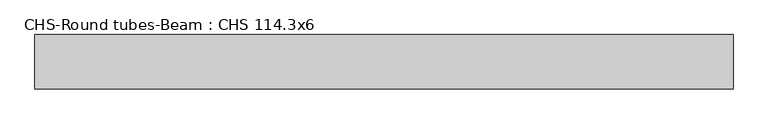
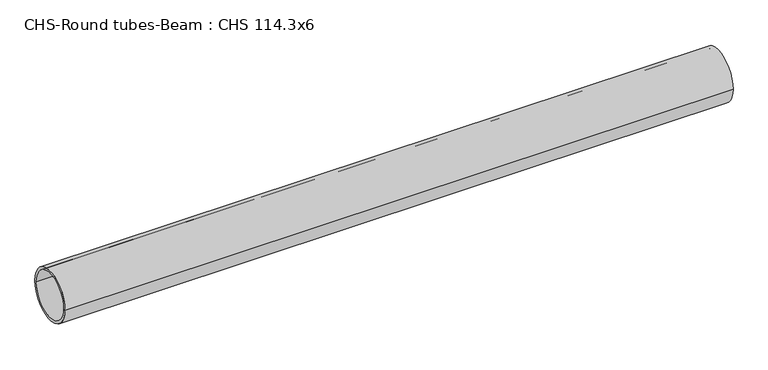
"""IFC4 building model written with IfcOpenShell, lengths in millimetres: beam geometry, CHS-Round tubes-Beam : CHS 114.3x6."""

from ifc_helpers import new_model, si_unit, point, frame, origin, origin_2d, place, context, project, spatial, circle_curve, trimmed, segment, composite_curve, outline, extrude, source, transform, mapped, element, save


def chs_round_tubes_beam_chs_114_3x6_996cd639(model_context):
    return source(origin(), model_context, "Body", "SweptSolid", [
        extrude(outline(composite_curve([segment(trimmed(circle_curve(origin_2d(), 57.15), [point((57.15, 0.0))], [point((-57.15, 0.0))], False, "CARTESIAN"), True, "CONTINUOUS"), segment(trimmed(circle_curve(origin_2d(), 57.15), [point((-57.15, 0.0))], [point((57.15, 0.0))], False, "CARTESIAN"), True, "CONTINUOUS")], self_intersect=False), holes=[composite_curve([segment(trimmed(circle_curve(origin_2d(), 51.15), [point((51.15, 0.0))], [point((-51.15, 0.0))], True, "CARTESIAN"), True, "CONTINUOUS"), segment(trimmed(circle_curve(origin_2d(), 51.15), [point((-51.15, 0.0))], [point((51.15, 0.0))], True, "CARTESIAN"), True, "CONTINUOUS")], self_intersect=False)]), frame((-758.2864138, 0.0, 0.0), z_axis=(1.0, 0.0, 0.0), x_axis=(0.0, 1.0, 0.0)), (0.0, 0.0, 1.0), 1470.1015907),
    ])


if __name__ == "__main__":
    model = new_model("IFC4")
    model_context = context("Model", 3, world=origin())
    ifc_project = project(units=[si_unit("LENGTHUNIT", "METRE", prefix="MILLI")], contexts=[model_context])
    site = spatial("IfcSite", under=ifc_project)
    building = spatial("IfcBuilding", under=site)
    placement = place(None, origin())
    chs_round_tubes_beam_chs_114_3x6_shape = chs_round_tubes_beam_chs_114_3x6_996cd639(model_context)
    element("IfcBeam", 1, ObjectType="CHS-Round tubes-Beam : CHS 114.3x6", at=placement, inside=building, context=model_context, shape_type="MappedRepresentation", body=[
        mapped(chs_round_tubes_beam_chs_114_3x6_shape, transform((0.0, 0.0, 0.0), x_axis=(1.0, 0.0, 0.0), y_axis=(0.0, 1.0, 0.0), z_axis=(0.0, 0.0, 1.0))),
    ])
    save(model, "model.ifc")
